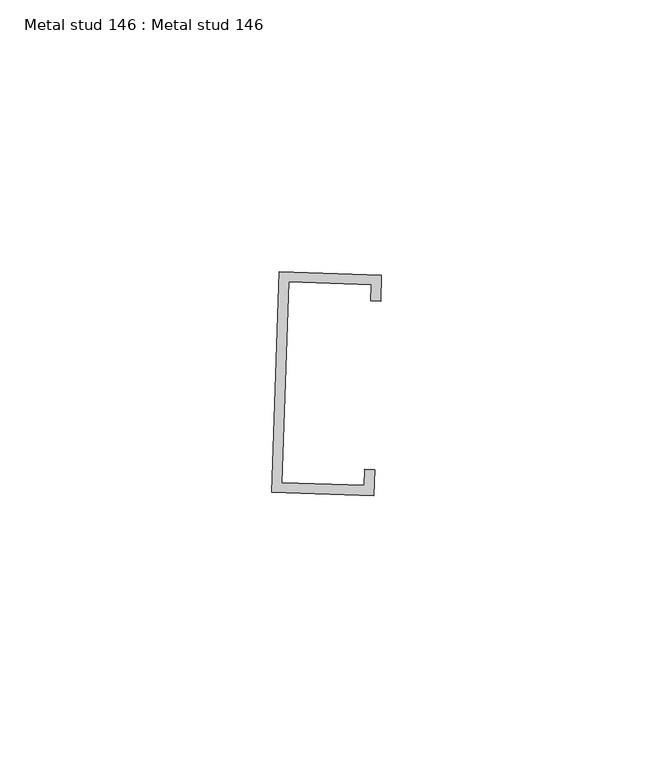
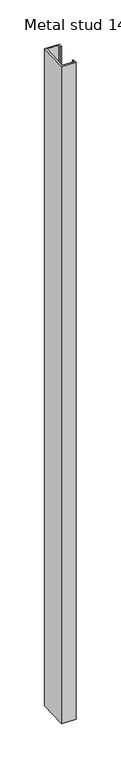
"""IFC4 building model written with IfcOpenShell, lengths in millimetres: proxy geometry, Metal stud 146 : Metal stud 146."""

import ifcopenshell
import ifcopenshell.guid

model = None  # the IFC model being written
_history = None  # IfcOwnerHistory: only IFC2X3 demands one
_inside = {}  # id of a spatial element -> (the spatial element, [elements in it])
_under = {}  # id of a project, library or spatial element -> (it, [spatial elements below it])
_declared = {}  # id of a project -> (the project, [libraries it declares])
_typed = {}  # id of a type object -> (the type object, [elements of that type])
_made_of = {}  # id of a material, layer set ... -> (it, [elements and type objects made of it])


def new_model(schema):
    """Start an empty IFC model of exactly this schema.

    Asked for "IFC4X3", IfcOpenShell would pick the latest addendum, in which some entities
    have other attributes; the version numbers below select the first issue.
    IFC2X3 requires an IfcOwnerHistory on every rooted entity: one is made here for all.
    """
    global model, _history
    if schema == "IFC4X3":
        model = ifcopenshell.file(schema_version=(4, 3, 0, 0))
    else:
        model = ifcopenshell.file(schema=schema)
    _inside.clear()
    _under.clear()
    _declared.clear()
    _typed.clear()
    _made_of.clear()
    _history = None
    if model.schema == "IFC2X3":
        org = make("IfcOrganization", Name="unknown")
        user = make(
            "IfcPersonAndOrganization",
            ThePerson=make("IfcPerson", FamilyName="unknown"),
            TheOrganization=org,
        )
        app = make(
            "IfcApplication",
            ApplicationDeveloper=org,
            Version="unknown",
            ApplicationFullName="unknown",
            ApplicationIdentifier="unknown",
        )
        _history = make(
            "IfcOwnerHistory",
            OwningUser=user,
            OwningApplication=app,
            ChangeAction="ADDED",
            CreationDate=0,
        )
    return model


def make(cls, **values):
    """One entity of the class cls with the attributes given. An attribute that is None is left unset."""
    return model.create_entity(
        cls, **{name: value for name, value in values.items() if value is not None}
    )


def rooted(cls, **values):
    """An entity with a GlobalId (a new one), such as an element, a storey or a relation."""
    return make(cls, GlobalId=ifcopenshell.guid.new(), OwnerHistory=_history, **values)


def si_unit(unit_type, name, prefix=None):
    """IfcSIUnit, for example si_unit("LENGTHUNIT", "METRE", prefix="MILLI")."""
    return make("IfcSIUnit", UnitType=unit_type, Prefix=prefix, Name=name)


def assignment(units):
    """IfcUnitAssignment: the units of a project."""
    return None if units is None else make("IfcUnitAssignment", Units=units)


def point(xyz):
    """IfcCartesianPoint."""
    return None if xyz is None else make("IfcCartesianPoint", Coordinates=xyz)


def direction(xyz):
    """IfcDirection."""
    return None if xyz is None else make("IfcDirection", DirectionRatios=xyz)


def frame(location, z_axis=None, x_axis=None):
    """IfcAxis2Placement3D, a coordinate frame: its origin and axes. An axis left out is left unset."""
    return make(
        "IfcAxis2Placement3D",
        Location=point(location),
        Axis=direction(z_axis),
        RefDirection=direction(x_axis),
    )


def origin():
    """The frame at (0, 0, 0) with its axes left unset."""
    return frame((0.0, 0.0, 0.0))


def place(relative_to, where):
    """IfcLocalPlacement: puts the frame where relative to a parent placement (None: the world)."""
    return make(
        "IfcLocalPlacement", PlacementRelTo=relative_to, RelativePlacement=where
    )


def context(
    kind, dimensions, precision=None, world=None, true_north=None, identifier=None
):
    """IfcGeometricRepresentationContext, for example the 3D "Model" context."""
    return make(
        "IfcGeometricRepresentationContext",
        ContextIdentifier=identifier,
        ContextType=kind,
        CoordinateSpaceDimension=dimensions,
        Precision=precision,
        WorldCoordinateSystem=world,
        TrueNorth=true_north,
    )


def project(units=None, contexts=None):
    """IfcProject with its units and contexts."""
    return rooted(
        "IfcProject",
        Name="project",
        RepresentationContexts=contexts,
        UnitsInContext=assignment(units),
    )


def spatial(cls, under=None, at=None, **own):
    """A site, building, storey or space (cls), placed at a placement, below another one or the project."""
    s = rooted(cls, ObjectPlacement=at, **own)
    if under is not None:
        _under.setdefault(under.id(), (under, []))[1].append(s)
    return s


def polyline(points):
    """IfcPolyline through the points."""
    return make("IfcPolyline", Points=[point(p) for p in points])


def outline(outer, holes=None, kind="AREA"):
    """IfcArbitraryClosedProfileDef: a profile drawn as a closed curve; with holes, ...WithVoids."""
    if holes is None:
        return make("IfcArbitraryClosedProfileDef", ProfileType=kind, OuterCurve=outer)
    return make(
        "IfcArbitraryProfileDefWithVoids",
        ProfileType=kind,
        OuterCurve=outer,
        InnerCurves=holes,
    )


def extrude(swept, where, along, depth):
    """IfcExtrudedAreaSolid: the profile swept, set in the frame where, extruded along a direction by depth."""
    return make(
        "IfcExtrudedAreaSolid",
        SweptArea=swept,
        Position=where,
        ExtrudedDirection=direction(along),
        Depth=depth,
    )


def shape(context_of_items, identifier, shape_type, items):
    """IfcShapeRepresentation: the items that make up one representation, for example the "Body"."""
    return make(
        "IfcShapeRepresentation",
        ContextOfItems=context_of_items,
        RepresentationIdentifier=identifier,
        RepresentationType=shape_type,
        Items=items,
    )


def source(mapping_origin, context_of_items, identifier, shape_type, items):
    """IfcRepresentationMap: a shape defined once, which mapped items show again and again."""
    return make(
        "IfcRepresentationMap",
        MappingOrigin=mapping_origin,
        MappedRepresentation=shape(context_of_items, identifier, shape_type, items),
    )


def transform(
    local_origin,
    x_axis=None,
    y_axis=None,
    z_axis=None,
    scale=None,
    scale2=None,
    scale3=None,
    uniform=True,
):
    """IfcCartesianTransformationOperator3D, or its non-uniform kind. x_axis, y_axis, z_axis: its Axis1, 2, 3."""
    if uniform:
        return make(
            "IfcCartesianTransformationOperator3D",
            Axis1=direction(x_axis),
            Axis2=direction(y_axis),
            LocalOrigin=point(local_origin),
            Scale=scale,
            Axis3=direction(z_axis),
        )
    return make(
        "IfcCartesianTransformationOperator3DnonUniform",
        Axis1=direction(x_axis),
        Axis2=direction(y_axis),
        LocalOrigin=point(local_origin),
        Scale=scale,
        Axis3=direction(z_axis),
        Scale2=scale2,
        Scale3=scale3,
    )


def mapped(mapping_source, mapping_target):
    """IfcMappedItem: shows the shape of a source again, moved by a transform."""
    return make(
        "IfcMappedItem", MappingSource=mapping_source, MappingTarget=mapping_target
    )


def made_of(thing, what):
    """Note that an element or type object is made of a material, layer set ...; save() writes the relation."""
    if what is not None:
        _made_of.setdefault(what.id(), (what, []))[1].append(thing)
    return thing


def element(
    cls,
    number,
    at=None,
    inside=None,
    cuts=None,
    type_object=None,
    material=None,
    context=None,
    identifier="Body",
    shape_type=None,
    held_by="IfcProductDefinitionShape",
    body=None,
    shapes=None,
    **own,
):
    """One element of the class cls, such as IfcWall. Its Tag is "e" and its number.

    at: its placement. inside: the storey or other place that contains it. cuts: it is an
    opening in that element (IfcRelVoidsElement). A single representation is given by context,
    identifier, shape_type and body (its items); several are given by shapes. held_by: the class
    of the entity that holds the representations. save() writes the other relations.
    """
    e = rooted(cls, Tag="e%d" % number, ObjectPlacement=at, **own)
    if body is not None:
        shapes = [shape(context, identifier, shape_type, body)]
    if shapes is not None:
        e.Representation = make(held_by, Representations=shapes)
    if inside is not None:
        _inside.setdefault(inside.id(), (inside, []))[1].append(e)
    if cuts is not None:
        rooted(
            "IfcRelVoidsElement", RelatingBuildingElement=cuts, RelatedOpeningElement=e
        )
    if type_object is not None:
        _typed.setdefault(type_object.id(), (type_object, []))[1].append(e)
    return made_of(e, material)


def aggregate(whole, parts):
    """IfcRelAggregates: a whole, such as a stair, and the parts it consists of."""
    return rooted("IfcRelAggregates", RelatingObject=whole, RelatedObjects=parts)


def save(model, path):
    """Write the relations noted so far, then the file.

    IfcRelAggregates (storeys below a building ...), IfcRelContainedInSpatialStructure (elements
    in a storey), IfcRelDefinesByType, IfcRelAssociatesMaterial and IfcRelDeclares: one each for
    every whole, place, type object, material and project.
    """
    for whole, parts in _under.values():
        aggregate(whole, parts)
    for where, things in _inside.values():
        rooted(
            "IfcRelContainedInSpatialStructure",
            RelatedElements=things,
            RelatingStructure=where,
        )
    for kind, things in _typed.values():
        rooted("IfcRelDefinesByType", RelatedObjects=things, RelatingType=kind)
    for what, things in _made_of.values():
        rooted("IfcRelAssociatesMaterial", RelatedObjects=things, RelatingMaterial=what)
    for by, libraries in _declared.values():
        rooted("IfcRelDeclares", RelatingContext=by, RelatedDefinitions=libraries)
    model.write(path)


def metal_stud_146_metal_stud_146_8decf7eb(model_context):
    return source(origin(), model_context, "Body", "SweptSolid", [
        extrude(outline(polyline([(34595.4941557, -15771.7036741), (34614.3307852, -15772.3482975), (34614.1666567, -15777.144318), (34612.3454571, -15777.0819933), (34612.4472609, -15774.1071722), (34597.2530305, -15773.5871983), (34595.9883662, -15810.5421276), (34611.1825966, -15811.0621015), (34611.2844003, -15808.0872805), (34613.1055999, -15808.1496052), (34612.9414714, -15812.9456257), (34594.104842, -15812.3010023), (34595.4941557, -15771.7036741)])), frame((0.0, 0.0, 1597.975708), z_axis=(0.0, 0.0, 1.0), x_axis=(1.0, 0.0, 0.0)), (0.0, 0.0, 1.0), 914.4),
    ])


if __name__ == "__main__":
    model = new_model("IFC4")
    model_context = context("Model", 3, world=origin())
    ifc_project = project(units=[si_unit("LENGTHUNIT", "METRE", prefix="MILLI")], contexts=[model_context])
    site = spatial("IfcSite", under=ifc_project)
    building = spatial("IfcBuilding", under=site)
    placement = place(None, origin())
    metal_stud_146_metal_stud_146_shape = metal_stud_146_metal_stud_146_8decf7eb(model_context)
    element("IfcBuildingElementProxy", 1, Name="Metal stud 146 : Metal stud 146", ObjectType="Metal stud 146 : Metal stud 146", at=placement, inside=building, context=model_context, shape_type="MappedRepresentation", body=[
        mapped(metal_stud_146_metal_stud_146_shape, transform((0.0, 0.0, 0.0), x_axis=(1.0, 0.0, 0.0), y_axis=(0.0, 1.0, 0.0), z_axis=(0.0, 0.0, 1.0))),
    ])
    save(model, "model.ifc")
